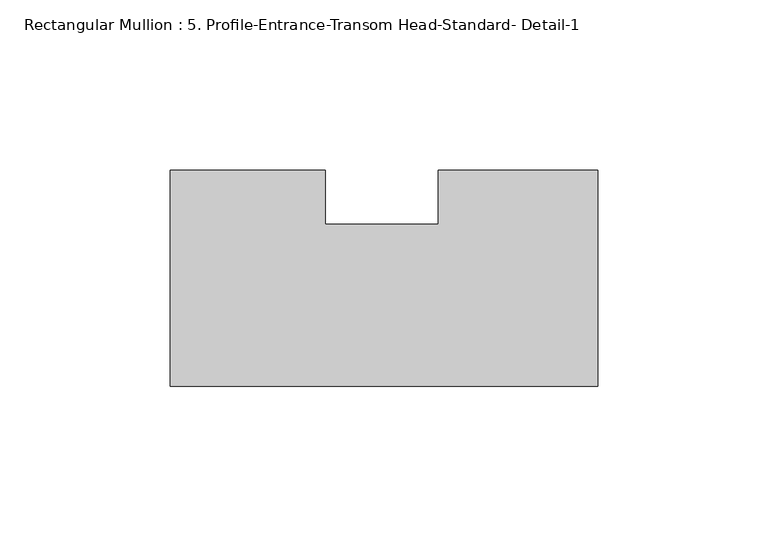
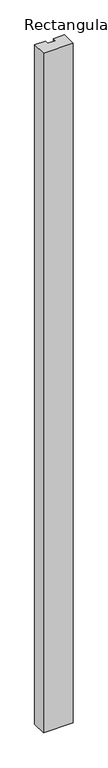
"""IFC4 building model written with IfcOpenShell, lengths in millimetres: member geometry, Rectangular Mullion : 5. Profile-Entrance-Transom Head-Standard- Detail-1."""

import ifcopenshell
import ifcopenshell.guid

model = None  # the IFC model being written
_history = None  # IfcOwnerHistory: only IFC2X3 demands one
_inside = {}  # id of a spatial element -> (the spatial element, [elements in it])
_under = {}  # id of a project, library or spatial element -> (it, [spatial elements below it])
_declared = {}  # id of a project -> (the project, [libraries it declares])
_typed = {}  # id of a type object -> (the type object, [elements of that type])
_made_of = {}  # id of a material, layer set ... -> (it, [elements and type objects made of it])


def new_model(schema):
    """Start an empty IFC model of exactly this schema.

    Asked for "IFC4X3", IfcOpenShell would pick the latest addendum, in which some entities
    have other attributes; the version numbers below select the first issue.
    IFC2X3 requires an IfcOwnerHistory on every rooted entity: one is made here for all.
    """
    global model, _history
    if schema == "IFC4X3":
        model = ifcopenshell.file(schema_version=(4, 3, 0, 0))
    else:
        model = ifcopenshell.file(schema=schema)
    _inside.clear()
    _under.clear()
    _declared.clear()
    _typed.clear()
    _made_of.clear()
    _history = None
    if model.schema == "IFC2X3":
        org = make("IfcOrganization", Name="unknown")
        user = make(
            "IfcPersonAndOrganization",
            ThePerson=make("IfcPerson", FamilyName="unknown"),
            TheOrganization=org,
        )
        app = make(
            "IfcApplication",
            ApplicationDeveloper=org,
            Version="unknown",
            ApplicationFullName="unknown",
            ApplicationIdentifier="unknown",
        )
        _history = make(
            "IfcOwnerHistory",
            OwningUser=user,
            OwningApplication=app,
            ChangeAction="ADDED",
            CreationDate=0,
        )
    return model


def make(cls, **values):
    """One entity of the class cls with the attributes given. An attribute that is None is left unset."""
    return model.create_entity(
        cls, **{name: value for name, value in values.items() if value is not None}
    )


def rooted(cls, **values):
    """An entity with a GlobalId (a new one), such as an element, a storey or a relation."""
    return make(cls, GlobalId=ifcopenshell.guid.new(), OwnerHistory=_history, **values)


def si_unit(unit_type, name, prefix=None):
    """IfcSIUnit, for example si_unit("LENGTHUNIT", "METRE", prefix="MILLI")."""
    return make("IfcSIUnit", UnitType=unit_type, Prefix=prefix, Name=name)


def assignment(units):
    """IfcUnitAssignment: the units of a project."""
    return None if units is None else make("IfcUnitAssignment", Units=units)


def point(xyz):
    """IfcCartesianPoint."""
    return None if xyz is None else make("IfcCartesianPoint", Coordinates=xyz)


def direction(xyz):
    """IfcDirection."""
    return None if xyz is None else make("IfcDirection", DirectionRatios=xyz)


def frame(location, z_axis=None, x_axis=None):
    """IfcAxis2Placement3D, a coordinate frame: its origin and axes. An axis left out is left unset."""
    return make(
        "IfcAxis2Placement3D",
        Location=point(location),
        Axis=direction(z_axis),
        RefDirection=direction(x_axis),
    )


def origin():
    """The frame at (0, 0, 0) with its axes left unset."""
    return frame((0.0, 0.0, 0.0))


def place(relative_to, where):
    """IfcLocalPlacement: puts the frame where relative to a parent placement (None: the world)."""
    return make(
        "IfcLocalPlacement", PlacementRelTo=relative_to, RelativePlacement=where
    )


def context(
    kind, dimensions, precision=None, world=None, true_north=None, identifier=None
):
    """IfcGeometricRepresentationContext, for example the 3D "Model" context."""
    return make(
        "IfcGeometricRepresentationContext",
        ContextIdentifier=identifier,
        ContextType=kind,
        CoordinateSpaceDimension=dimensions,
        Precision=precision,
        WorldCoordinateSystem=world,
        TrueNorth=true_north,
    )


def project(units=None, contexts=None):
    """IfcProject with its units and contexts."""
    return rooted(
        "IfcProject",
        Name="project",
        RepresentationContexts=contexts,
        UnitsInContext=assignment(units),
    )


def spatial(cls, under=None, at=None, **own):
    """A site, building, storey or space (cls), placed at a placement, below another one or the project."""
    s = rooted(cls, ObjectPlacement=at, **own)
    if under is not None:
        _under.setdefault(under.id(), (under, []))[1].append(s)
    return s


def polyline(points):
    """IfcPolyline through the points."""
    return make("IfcPolyline", Points=[point(p) for p in points])


def outline(outer, holes=None, kind="AREA"):
    """IfcArbitraryClosedProfileDef: a profile drawn as a closed curve; with holes, ...WithVoids."""
    if holes is None:
        return make("IfcArbitraryClosedProfileDef", ProfileType=kind, OuterCurve=outer)
    return make(
        "IfcArbitraryProfileDefWithVoids",
        ProfileType=kind,
        OuterCurve=outer,
        InnerCurves=holes,
    )


def extrude(swept, where, along, depth):
    """IfcExtrudedAreaSolid: the profile swept, set in the frame where, extruded along a direction by depth."""
    return make(
        "IfcExtrudedAreaSolid",
        SweptArea=swept,
        Position=where,
        ExtrudedDirection=direction(along),
        Depth=depth,
    )


def shape(context_of_items, identifier, shape_type, items):
    """IfcShapeRepresentation: the items that make up one representation, for example the "Body"."""
    return make(
        "IfcShapeRepresentation",
        ContextOfItems=context_of_items,
        RepresentationIdentifier=identifier,
        RepresentationType=shape_type,
        Items=items,
    )


def source(mapping_origin, context_of_items, identifier, shape_type, items):
    """IfcRepresentationMap: a shape defined once, which mapped items show again and again."""
    return make(
        "IfcRepresentationMap",
        MappingOrigin=mapping_origin,
        MappedRepresentation=shape(context_of_items, identifier, shape_type, items),
    )


def transform(
    local_origin,
    x_axis=None,
    y_axis=None,
    z_axis=None,
    scale=None,
    scale2=None,
    scale3=None,
    uniform=True,
):
    """IfcCartesianTransformationOperator3D, or its non-uniform kind. x_axis, y_axis, z_axis: its Axis1, 2, 3."""
    if uniform:
        return make(
            "IfcCartesianTransformationOperator3D",
            Axis1=direction(x_axis),
            Axis2=direction(y_axis),
            LocalOrigin=point(local_origin),
            Scale=scale,
            Axis3=direction(z_axis),
        )
    return make(
        "IfcCartesianTransformationOperator3DnonUniform",
        Axis1=direction(x_axis),
        Axis2=direction(y_axis),
        LocalOrigin=point(local_origin),
        Scale=scale,
        Axis3=direction(z_axis),
        Scale2=scale2,
        Scale3=scale3,
    )


def mapped(mapping_source, mapping_target):
    """IfcMappedItem: shows the shape of a source again, moved by a transform."""
    return make(
        "IfcMappedItem", MappingSource=mapping_source, MappingTarget=mapping_target
    )


def made_of(thing, what):
    """Note that an element or type object is made of a material, layer set ...; save() writes the relation."""
    if what is not None:
        _made_of.setdefault(what.id(), (what, []))[1].append(thing)
    return thing


def element(
    cls,
    number,
    at=None,
    inside=None,
    cuts=None,
    type_object=None,
    material=None,
    context=None,
    identifier="Body",
    shape_type=None,
    held_by="IfcProductDefinitionShape",
    body=None,
    shapes=None,
    **own,
):
    """One element of the class cls, such as IfcWall. Its Tag is "e" and its number.

    at: its placement. inside: the storey or other place that contains it. cuts: it is an
    opening in that element (IfcRelVoidsElement). A single representation is given by context,
    identifier, shape_type and body (its items); several are given by shapes. held_by: the class
    of the entity that holds the representations. save() writes the other relations.
    """
    e = rooted(cls, Tag="e%d" % number, ObjectPlacement=at, **own)
    if body is not None:
        shapes = [shape(context, identifier, shape_type, body)]
    if shapes is not None:
        e.Representation = make(held_by, Representations=shapes)
    if inside is not None:
        _inside.setdefault(inside.id(), (inside, []))[1].append(e)
    if cuts is not None:
        rooted(
            "IfcRelVoidsElement", RelatingBuildingElement=cuts, RelatedOpeningElement=e
        )
    if type_object is not None:
        _typed.setdefault(type_object.id(), (type_object, []))[1].append(e)
    return made_of(e, material)


def aggregate(whole, parts):
    """IfcRelAggregates: a whole, such as a stair, and the parts it consists of."""
    return rooted("IfcRelAggregates", RelatingObject=whole, RelatedObjects=parts)


def save(model, path):
    """Write the relations noted so far, then the file.

    IfcRelAggregates (storeys below a building ...), IfcRelContainedInSpatialStructure (elements
    in a storey), IfcRelDefinesByType, IfcRelAssociatesMaterial and IfcRelDeclares: one each for
    every whole, place, type object, material and project.
    """
    for whole, parts in _under.values():
        aggregate(whole, parts)
    for where, things in _inside.values():
        rooted(
            "IfcRelContainedInSpatialStructure",
            RelatedElements=things,
            RelatingStructure=where,
        )
    for kind, things in _typed.values():
        rooted("IfcRelDefinesByType", RelatedObjects=things, RelatingType=kind)
    for what, things in _made_of.values():
        rooted("IfcRelAssociatesMaterial", RelatedObjects=things, RelatingMaterial=what)
    for by, libraries in _declared.values():
        rooted("IfcRelDeclares", RelatingContext=by, RelatedDefinitions=libraries)
    model.write(path)


def rectangular_mullion_5_profile_entrance_transom_head_standard_fafce39a(model_context):
    return source(origin(), model_context, "Body", "SweptSolid", [
        extrude(outline(polyline([(-46.8734359, 15.8623), (-46.8734359, 31.75), (0.0, 31.75), (0.0, -31.75), (-125.7808, -31.75), (-125.7808, 31.75), (-80.2091346, 31.75), (-80.2091346, 15.8623), (-46.8734359, 15.8623)])), frame((0.0, 0.0, -3048.0), z_axis=(0.0, 0.0, 1.0), x_axis=(1.0, 0.0, 0.0)), (0.0, 0.0, 1.0), 3048.0),
    ])


if __name__ == "__main__":
    model = new_model("IFC4")
    model_context = context("Model", 3, world=origin())
    ifc_project = project(units=[si_unit("LENGTHUNIT", "METRE", prefix="MILLI")], contexts=[model_context])
    site = spatial("IfcSite", under=ifc_project)
    building = spatial("IfcBuilding", under=site)
    placement = place(None, origin())
    rectangular_mullion_5_profile_entrance_transom_head_standard_shape = rectangular_mullion_5_profile_entrance_transom_head_standard_fafce39a(model_context)
    element("IfcMember", 1, ObjectType="Rectangular Mullion : 5. Profile-Entrance-Transom Head-Standard- Detail-1", at=placement, inside=building, context=model_context, shape_type="MappedRepresentation", body=[
        mapped(rectangular_mullion_5_profile_entrance_transom_head_standard_shape, transform((0.0, 0.0, 0.0), x_axis=(1.0, 0.0, 0.0), y_axis=(0.0, 1.0, 0.0), z_axis=(0.0, 0.0, 1.0))),
    ])
    save(model, "model.ifc")
